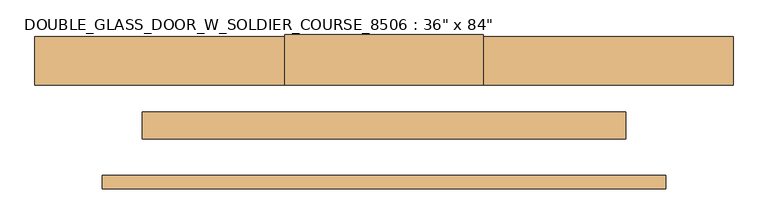
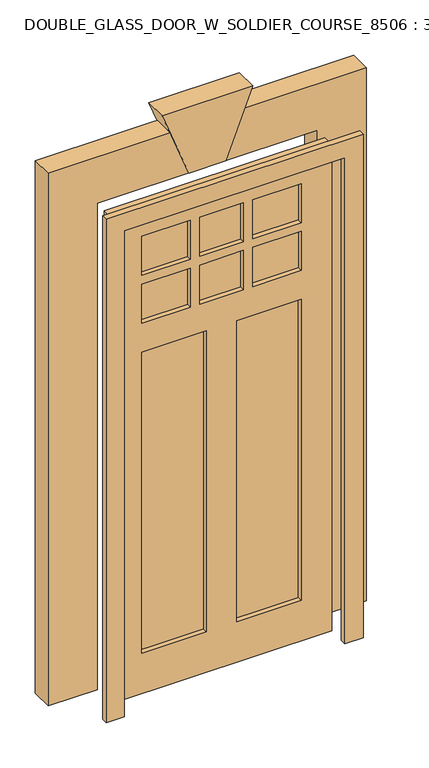
"""IFC4 building model written with IfcOpenShell, lengths in millimetres: door geometry."""

from ifc_helpers import new_model, si_unit, frame, origin, place, context, project, spatial, polyline, outline, extrude, source, transform, mapped, element, save


def door_7d5c153f(model_context):
    return source(origin(), model_context, "Body", "SweptSolid", [
        extrude(outline(polyline([(-103.7166667, 29.440625), (-304.8, 29.440625), (-304.8, 40.9802413), (-103.7166667, 40.9802413), (-103.7166667, 29.440625)])), frame((0.0, 0.0, 1835.15), z_axis=(0.0, 0.0, 1.0), x_axis=(1.0, 0.0, 0.0)), (0.0, 0.0, 1.0), 171.45),
        extrude(outline(polyline([(-103.7166667, 29.440625), (-304.8, 29.440625), (-304.8, 40.9802413), (-103.7166667, 40.9802413), (-103.7166667, 29.440625)])), frame((0.0, 0.0, 1625.6), z_axis=(0.0, 0.0, 1.0), x_axis=(1.0, 0.0, 0.0)), (0.0, 0.0, 1.0), 171.45),
        extrude(outline(polyline([(355.6, 29.440625), (154.5166667, 29.440625), (154.5166667, 40.9802413), (355.6, 40.9802413), (355.6, 29.440625)])), frame((0.0, 0.0, 1625.6), z_axis=(0.0, 0.0, 1.0), x_axis=(1.0, 0.0, 0.0)), (0.0, 0.0, 1.0), 171.45),
        extrude(outline(polyline([(355.6, 29.440625), (154.5166667, 29.440625), (154.5166667, 40.9802413), (355.6, 40.9802413), (355.6, 29.440625)])), frame((0.0, 0.0, 1835.15), z_axis=(0.0, 0.0, 1.0), x_axis=(1.0, 0.0, 0.0)), (0.0, 0.0, 1.0), 171.45),
        extrude(outline(polyline([(116.4166667, 29.440625), (-65.6166667, 29.440625), (-65.6166667, 40.9802413), (116.4166667, 40.9802413), (116.4166667, 29.440625)])), frame((0.0, 0.0, 1835.15), z_axis=(0.0, 0.0, 1.0), x_axis=(1.0, 0.0, 0.0)), (0.0, 0.0, 1.0), 171.45),
        extrude(outline(polyline([(116.4166667, 29.440625), (-65.6166667, 29.440625), (-65.6166667, 40.9802413), (116.4166667, 40.9802413), (116.4166667, 29.440625)])), frame((0.0, 0.0, 1625.6), z_axis=(0.0, 0.0, 1.0), x_axis=(1.0, 0.0, 0.0)), (0.0, 0.0, 1.0), 171.45),
        extrude(outline(polyline([(2133.6, 482.6), (2133.6, -431.8), (0.0, -431.8), (0.0, 482.6), (2133.6, 482.6)]), holes=[polyline([(1498.6, -38.1), (177.8, -38.1), (177.8, -304.8), (1498.6, -304.8), (1498.6, -38.1)]), polyline([(177.8, 88.9), (1498.6, 88.9), (1498.6, 355.6), (177.8, 355.6), (177.8, 88.9)]), polyline([(1625.6, 154.5166667), (1797.05, 154.5166667), (1797.05, 355.6), (1625.6, 355.6), (1625.6, 154.5166667)]), polyline([(1835.15, 355.6), (1835.15, 154.5166667), (2006.6, 154.5166667), (2006.6, 355.6), (1835.15, 355.6)]), polyline([(2006.6, -103.7166667), (1835.15, -103.7166667), (1835.15, -304.8), (2006.6, -304.8), (2006.6, -103.7166667)]), polyline([(1797.05, -304.8), (1797.05, -103.7166667), (1625.6, -103.7166667), (1625.6, -304.8), (1797.05, -304.8)]), polyline([(1835.15, -65.6166667), (2006.6, -65.6166667), (2006.6, 116.4166667), (1835.15, 116.4166667), (1835.15, -65.6166667)]), polyline([(1797.05, 116.4166667), (1625.6, 116.4166667), (1625.6, -65.6166667), (1797.05, -65.6166667), (1797.05, 116.4166667)])]), frame((0.0, 9.2302413, 0.0), z_axis=(0.0, 1.0, 0.0), x_axis=(0.0, 0.0, 1.0)), (0.0, 0.0, 1.0), 50.8),
        extrude(outline(polyline([(-38.1, 29.440625), (-304.8, 29.440625), (-304.8, 40.9802413), (-38.1, 40.9802413), (-38.1, 29.440625)])), frame((0.0, 0.0, 177.8), z_axis=(0.0, 0.0, 1.0), x_axis=(1.0, 0.0, 0.0)), (0.0, 0.0, 1.0), 1320.8),
        extrude(outline(polyline([(355.6, 29.440625), (88.9, 29.440625), (88.9, 40.9802413), (355.6, 40.9802413), (355.6, 29.440625)])), frame((0.0, 0.0, 177.8), z_axis=(0.0, 0.0, 1.0), x_axis=(1.0, 0.0, 0.0)), (0.0, 0.0, 1.0), 1320.8),
        extrude(outline(polyline([(2209.8, 558.8), (2209.8, -508.0), (0.0, -508.0), (0.0, -431.8), (2133.6, -431.8), (2133.6, 482.6), (0.0, 482.6), (0.0, 558.8), (2209.8, 558.8)])), frame((0.0, -85.3697587, 0.0), z_axis=(0.0, 1.0, 0.0), x_axis=(0.0, 0.0, 1.0)), (0.0, 0.0, 1.0), 25.4),
        extrude(outline(polyline([(2133.6, -50.8), (2133.6, 101.6), (2424.0835497, 213.1061875), (2424.0835497, -162.3061875), (2133.6, -50.8)])), frame((0.0, 111.1552413, 0.0), z_axis=(0.0, 1.0, 0.0), x_axis=(0.0, 0.0, 1.0)), (0.0, 0.0, 1.0), 95.25),
        extrude(outline(polyline([(0.0, -635.0), (0.0, -431.8), (2133.6, -431.8), (2133.6, 482.6), (0.0, 482.6), (0.0, 685.8), (2336.8, 685.8), (2336.8, -635.0), (0.0, -635.0)])), frame((0.0, 111.1552413, 0.0), z_axis=(0.0, 1.0, 0.0), x_axis=(0.0, 0.0, 1.0)), (0.0, 0.0, 1.0), 92.075),
    ])


if __name__ == "__main__":
    model = new_model("IFC4")
    model_context = context("Model", 3, world=origin())
    ifc_project = project(units=[si_unit("LENGTHUNIT", "METRE", prefix="MILLI")], contexts=[model_context])
    site = spatial("IfcSite", under=ifc_project)
    building = spatial("IfcBuilding", under=site)
    placement = place(None, origin())
    door_shape = door_7d5c153f(model_context)
    element("IfcDoor", 1, ObjectType="DOUBLE_GLASS_DOOR_W_SOLDIER_COURSE_8506 : 36\" x 84\"", at=placement, inside=building, context=model_context, shape_type="MappedRepresentation", body=[
        mapped(door_shape, transform((0.0, 0.0, 0.0), x_axis=(1.0, 0.0, 0.0), y_axis=(0.0, 1.0, 0.0), z_axis=(0.0, 0.0, 1.0))),
    ])
    save(model, "model.ifc")
